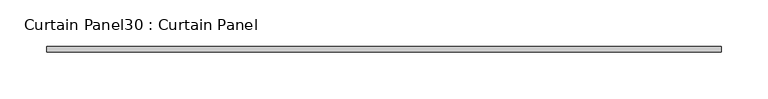
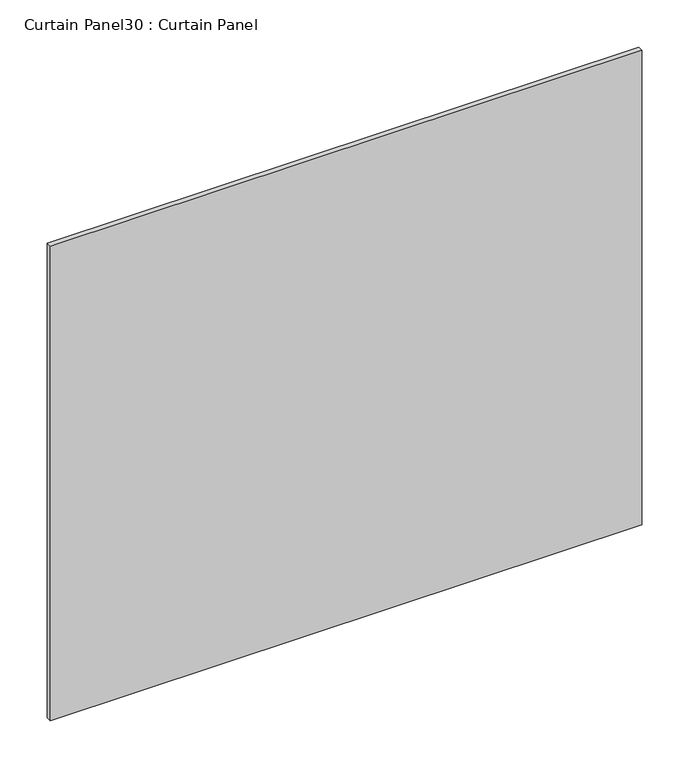
"""IFC4 building model written with IfcOpenShell, lengths in millimetres: plate geometry, Curtain Panel30 : Curtain Panel."""

from ifc_helpers import new_model, si_unit, frame, origin, place, context, project, spatial, polyline, outline, extrude, source, transform, mapped, element, save


def curtain_panel30_curtain_panel_8e3b225d(model_context):
    return source(origin(), model_context, "Body", "SweptSolid", [
        extrude(outline(polyline([(3965.0702448, 3568.3617926), (3240.5623895, 3568.3617926), (3240.5623895, 3574.7117926), (3965.0702448, 3574.7117926), (3965.0702448, 3568.3617926)])), frame((0.0, 0.0, 39.798625), z_axis=(0.0, 0.0, 1.0), x_axis=(1.0, 0.0, 0.0)), (0.0, 0.0, 1.0), 614.6631202),
    ])


if __name__ == "__main__":
    model = new_model("IFC4")
    model_context = context("Model", 3, world=origin())
    ifc_project = project(units=[si_unit("LENGTHUNIT", "METRE", prefix="MILLI")], contexts=[model_context])
    site = spatial("IfcSite", under=ifc_project)
    building = spatial("IfcBuilding", under=site)
    placement = place(None, origin())
    curtain_panel30_curtain_panel_shape = curtain_panel30_curtain_panel_8e3b225d(model_context)
    element("IfcPlate", 1, ObjectType="Curtain Panel30 : Curtain Panel", at=placement, inside=building, context=model_context, shape_type="MappedRepresentation", body=[
        mapped(curtain_panel30_curtain_panel_shape, transform((0.0, 0.0, 0.0), x_axis=(1.0, 0.0, 0.0), y_axis=(0.0, 1.0, 0.0), z_axis=(0.0, 0.0, 1.0))),
    ])
    save(model, "model.ifc")
